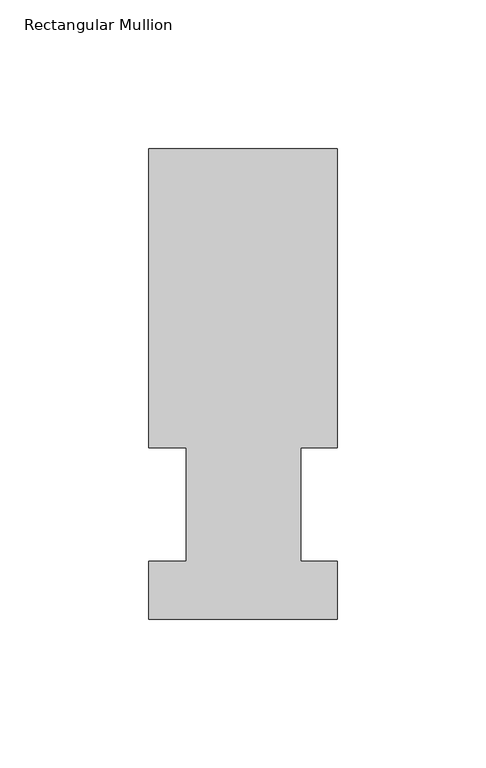
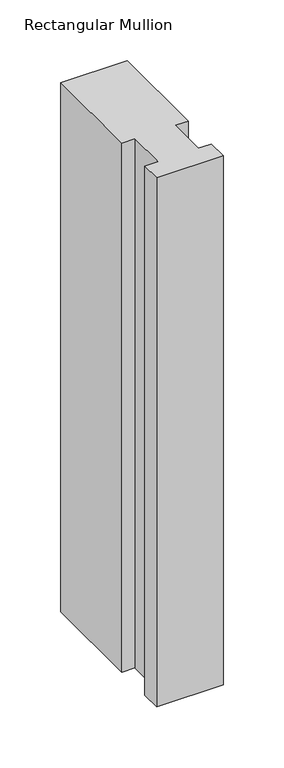
"""IFC4 building model written with IfcOpenShell, lengths in millimetres: member geometry, Rectangular Mullion."""

from ifc_helpers import new_model, si_unit, frame, origin, place, context, project, spatial, polyline, outline, extrude, source, transform, mapped, element, save


def rectangular_mullion_d0321ab6(model_context):
    return source(origin(), model_context, "Body", "SweptSolid", [
        extrude(outline(polyline([(-63.5, 57.6460937), (-63.5, 158.3316937), (0.0, 158.3316937), (0.0, 57.6460938), (-12.3418395, 57.6460937), (-12.3418395, 19.5460937), (0.0, 19.5460937), (0.0, 0.0134938), (-63.5, 0.0134938), (-63.5, 19.5460937), (-50.8, 19.5460937), (-50.8, 57.6460937), (-63.5, 57.6460937)])), frame((0.0, 0.0, -533.4), z_axis=(0.0, 0.0, 1.0), x_axis=(1.0, 0.0, 0.0)), (0.0, 0.0, 1.0), 533.4),
    ])


if __name__ == "__main__":
    model = new_model("IFC4")
    model_context = context("Model", 3, world=origin())
    ifc_project = project(units=[si_unit("LENGTHUNIT", "METRE", prefix="MILLI")], contexts=[model_context])
    site = spatial("IfcSite", under=ifc_project)
    building = spatial("IfcBuilding", under=site)
    placement = place(None, origin())
    rectangular_mullion_shape = rectangular_mullion_d0321ab6(model_context)
    element("IfcMember", 1, ObjectType="Rectangular Mullion", at=placement, inside=building, context=model_context, shape_type="MappedRepresentation", body=[
        mapped(rectangular_mullion_shape, transform((0.0, 0.0, 0.0), x_axis=(1.0, 0.0, 0.0), y_axis=(0.0, 1.0, 0.0), z_axis=(0.0, 0.0, 1.0))),
    ])
    save(model, "model.ifc")
